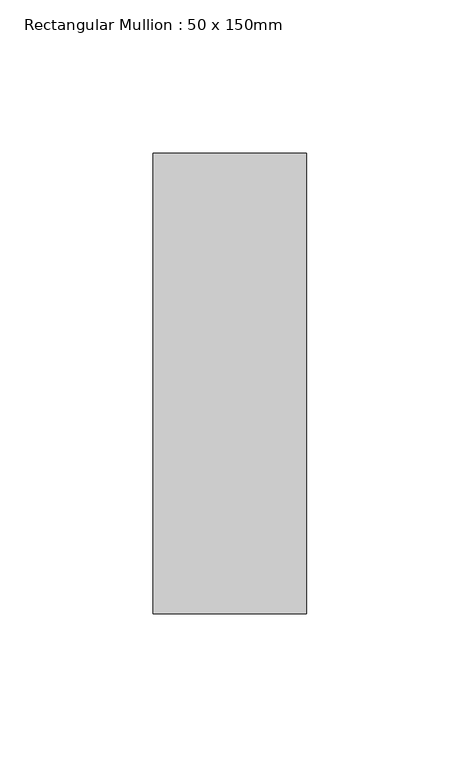
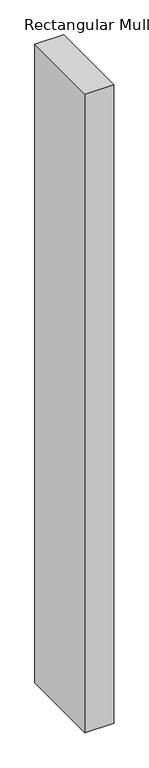
"""IFC4 building model written with IfcOpenShell, lengths in millimetres: member geometry, Rectangular Mullion : 50 x 150mm."""

from ifc_helpers import new_model, si_unit, frame, origin, place, context, project, spatial, polyline, outline, extrude, source, transform, mapped, element, save


def rectangular_mullion_50_x_150mm_f96e37b4(model_context):
    return source(origin(), model_context, "Body", "SweptSolid", [
        extrude(outline(polyline([(25.0, 75.0), (25.0, -75.0), (-25.0, -75.0), (-25.0, 75.0), (25.0, 75.0)])), frame((0.0, 0.0, -1171.6573503), z_axis=(0.0, 0.0, 1.0), x_axis=(1.0, 0.0, 0.0)), (0.0, 0.0, 1.0), 1171.6573503),
    ])


if __name__ == "__main__":
    model = new_model("IFC4")
    model_context = context("Model", 3, world=origin())
    ifc_project = project(units=[si_unit("LENGTHUNIT", "METRE", prefix="MILLI")], contexts=[model_context])
    site = spatial("IfcSite", under=ifc_project)
    building = spatial("IfcBuilding", under=site)
    placement = place(None, origin())
    rectangular_mullion_50_x_150mm_shape = rectangular_mullion_50_x_150mm_f96e37b4(model_context)
    element("IfcMember", 1, ObjectType="Rectangular Mullion : 50 x 150mm", at=placement, inside=building, context=model_context, shape_type="MappedRepresentation", body=[
        mapped(rectangular_mullion_50_x_150mm_shape, transform((0.0, 0.0, 0.0), x_axis=(1.0, 0.0, 0.0), y_axis=(0.0, 1.0, 0.0), z_axis=(0.0, 0.0, 1.0))),
    ])
    save(model, "model.ifc")
